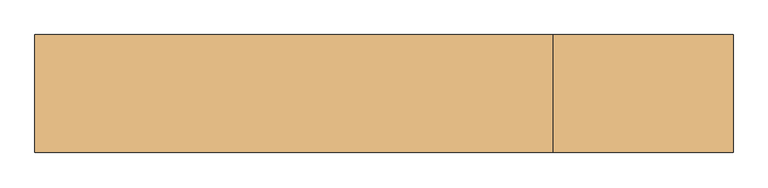
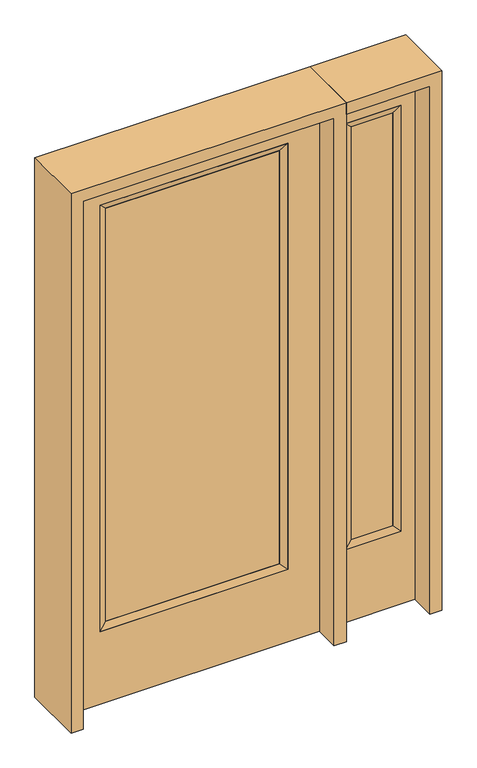
"""IFC4 building model written with IfcOpenShell, lengths in millimetres: door geometry."""

from ifc_helpers import new_model, si_unit, frame, origin, place, context, project, spatial, polyline, outline, extrude, faceted_brep, source, transform, mapped, element, save


def door_97e14993(model_context):
    return source(origin(), model_context, "Body", "SolidModel", [
        extrude(outline(polyline([(316.3824, -12.7039749), (-316.3824, -12.7039749), (-316.3824, 14.2875), (316.3824, 14.2875), (316.3824, -12.7039749)])), frame((0.0, 0.0, 304.8), z_axis=(0.0, 0.0, 1.0), x_axis=(1.0, 0.0, 0.0)), (0.0, 0.0, 1.0), 1590.675),
        faceted_brep([(316.3824, 14.2875, 1895.475), (341.7824, 22.225, 1920.875), (341.7824, 22.225, 279.4), (316.3824, 14.2875, 304.8), (341.7824, -22.225, 1920.875), (341.7824, -22.225, 279.4), (-341.7824, 22.225, 279.4), (-316.3824, 14.2875, 304.8), (316.3824, -12.7039749, 1895.475), (316.3824, -12.7039749, 304.8), (-316.3824, -12.7039749, 304.8), (-341.7824, -22.225, 279.4), (-341.7824, 22.225, 1920.875), (-316.3824, 14.2875, 1895.475), (-316.3824, -12.7039749, 1895.475), (-341.7824, -22.225, 1920.875)], [[[0, 1, 2, 3]], [[1, 4, 5, 2]], [[3, 2, 6, 7]], [[8, 0, 3, 9]], [[9, 3, 7, 10]], [[4, 8, 9, 5]], [[5, 9, 10, 11]], [[2, 5, 11, 6]], [[7, 6, 12, 13]], [[10, 7, 13, 14]], [[11, 10, 14, 15]], [[6, 11, 15, 12]], [[13, 12, 1, 0]], [[14, 13, 0, 8]], [[15, 14, 8, 4]], [[12, 15, 4, 1]]]),
        extrude(outline(polyline([(0.0, -457.2), (0.0, 457.2), (2032.0, 457.2), (2032.0, -457.2), (0.0, -457.2)]), holes=[polyline([(279.4, -341.7824), (1920.875, -341.7824), (1920.875, 341.7824), (279.4, 341.7824), (279.4, -341.7824)])]), frame((0.0, -22.225, 0.0), z_axis=(0.0, 1.0, 0.0), x_axis=(0.0, 0.0, 1.0)), (0.0, 0.0, 1.0), 44.45),
        faceted_brep([(552.45, 20.6375, 1920.875), (552.45, 20.6375, 279.4), (552.45, -20.6375, 279.4), (552.45, -20.6375, 1920.875), (577.85, -12.7, 304.8), (577.85, -12.7, 1895.475), (755.65, 20.6375, 279.4), (755.65, -20.6375, 279.4), (577.85, 12.7, 1895.475), (577.85, 12.7, 304.8), (730.25, 12.7, 304.8), (730.25, -12.7, 304.8), (755.65, 20.6375, 1920.875), (755.65, -20.6375, 1920.875), (730.25, 12.7, 1895.475), (730.25, -12.7, 1895.475)], [[[0, 1, 2, 3]], [[3, 2, 4, 5]], [[1, 6, 7, 2]], [[8, 9, 1, 0]], [[9, 10, 6, 1]], [[5, 4, 9, 8]], [[4, 11, 10, 9]], [[2, 7, 11, 4]], [[6, 12, 13, 7]], [[10, 14, 12, 6]], [[11, 15, 14, 10]], [[7, 13, 15, 11]], [[12, 0, 3, 13]], [[14, 8, 0, 12]], [[15, 5, 8, 14]], [[13, 3, 5, 15]]]),
        extrude(outline(polyline([(0.0, 806.45), (2032.0, 806.45), (2032.0, 501.65), (0.0, 501.65), (0.0, 806.45)]), holes=[polyline([(1920.875, 552.45), (1920.875, 755.65), (279.4, 755.65), (279.4, 552.45), (1920.875, 552.45)])]), frame((0.0, -20.6375, 0.0), z_axis=(0.0, 1.0, 0.0), x_axis=(0.0, 0.0, 1.0)), (0.0, 0.0, 1.0), 41.275),
        extrude(outline(polyline([(577.85, -12.7), (577.85, 12.7), (730.25, 12.7), (730.25, -12.7), (577.85, -12.7)])), frame((0.0, 0.0, 304.8), z_axis=(0.0, 0.0, 1.0), x_axis=(1.0, 0.0, 0.0)), (0.0, 0.0, 1.0), 1590.675),
        extrude(outline(polyline([(2076.45, -501.65), (0.0, -501.65), (0.0, -457.2), (2032.0, -457.2), (2032.0, 457.2), (0.0, 457.2), (0.0, 501.65), (2076.45, 501.65), (2076.45, -501.65)])), frame((0.0, -114.3, 0.0), z_axis=(0.0, 1.0, 0.0), x_axis=(0.0, 0.0, 1.0)), (0.0, 0.0, 1.0), 228.6),
        extrude(outline(polyline([(0.0, 806.45), (0.0, 850.9), (2076.45, 850.9), (2076.45, 501.65), (2032.0, 501.65), (2032.0, 806.45), (0.0, 806.45)])), frame((0.0, -114.3, 0.0), z_axis=(0.0, 1.0, 0.0), x_axis=(0.0, 0.0, 1.0)), (0.0, 0.0, 1.0), 228.6),
    ])


if __name__ == "__main__":
    model = new_model("IFC4")
    model_context = context("Model", 3, world=origin())
    ifc_project = project(units=[si_unit("LENGTHUNIT", "METRE", prefix="MILLI")], contexts=[model_context])
    site = spatial("IfcSite", under=ifc_project)
    building = spatial("IfcBuilding", under=site)
    placement = place(None, origin())
    door_shape = door_97e14993(model_context)
    element("IfcDoor", 1, at=placement, inside=building, context=model_context, shape_type="MappedRepresentation", body=[
        mapped(door_shape, transform((0.0, 0.0, 0.0), x_axis=(1.0, 0.0, 0.0), y_axis=(0.0, 1.0, 0.0), z_axis=(0.0, 0.0, 1.0))),
    ])
    save(model, "model.ifc")
